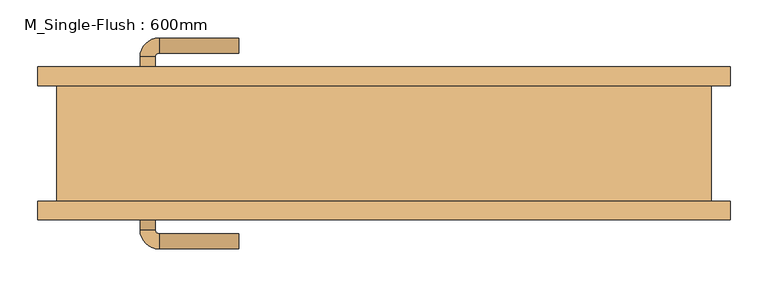
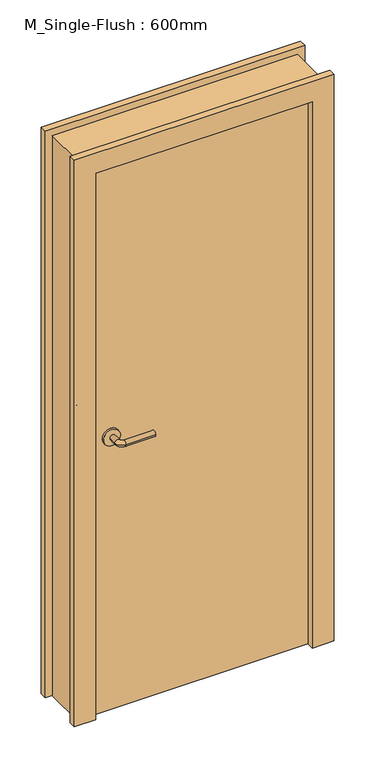
"""IFC4 building model written with IfcOpenShell, lengths in millimetres: door geometry, M_Single-Flush : 600mm."""

import ifcopenshell
import ifcopenshell.guid

model = None  # the IFC model being written
_history = None  # IfcOwnerHistory: only IFC2X3 demands one
_inside = {}  # id of a spatial element -> (the spatial element, [elements in it])
_under = {}  # id of a project, library or spatial element -> (it, [spatial elements below it])
_declared = {}  # id of a project -> (the project, [libraries it declares])
_typed = {}  # id of a type object -> (the type object, [elements of that type])
_made_of = {}  # id of a material, layer set ... -> (it, [elements and type objects made of it])


def new_model(schema):
    """Start an empty IFC model of exactly this schema.

    Asked for "IFC4X3", IfcOpenShell would pick the latest addendum, in which some entities
    have other attributes; the version numbers below select the first issue.
    IFC2X3 requires an IfcOwnerHistory on every rooted entity: one is made here for all.
    """
    global model, _history
    if schema == "IFC4X3":
        model = ifcopenshell.file(schema_version=(4, 3, 0, 0))
    else:
        model = ifcopenshell.file(schema=schema)
    _inside.clear()
    _under.clear()
    _declared.clear()
    _typed.clear()
    _made_of.clear()
    _history = None
    if model.schema == "IFC2X3":
        org = make("IfcOrganization", Name="unknown")
        user = make(
            "IfcPersonAndOrganization",
            ThePerson=make("IfcPerson", FamilyName="unknown"),
            TheOrganization=org,
        )
        app = make(
            "IfcApplication",
            ApplicationDeveloper=org,
            Version="unknown",
            ApplicationFullName="unknown",
            ApplicationIdentifier="unknown",
        )
        _history = make(
            "IfcOwnerHistory",
            OwningUser=user,
            OwningApplication=app,
            ChangeAction="ADDED",
            CreationDate=0,
        )
    return model


def make(cls, **values):
    """One entity of the class cls with the attributes given. An attribute that is None is left unset."""
    return model.create_entity(
        cls, **{name: value for name, value in values.items() if value is not None}
    )


def rooted(cls, **values):
    """An entity with a GlobalId (a new one), such as an element, a storey or a relation."""
    return make(cls, GlobalId=ifcopenshell.guid.new(), OwnerHistory=_history, **values)


def si_unit(unit_type, name, prefix=None):
    """IfcSIUnit, for example si_unit("LENGTHUNIT", "METRE", prefix="MILLI")."""
    return make("IfcSIUnit", UnitType=unit_type, Prefix=prefix, Name=name)


def assignment(units):
    """IfcUnitAssignment: the units of a project."""
    return None if units is None else make("IfcUnitAssignment", Units=units)


def point(xyz):
    """IfcCartesianPoint."""
    return None if xyz is None else make("IfcCartesianPoint", Coordinates=xyz)


def direction(xyz):
    """IfcDirection."""
    return None if xyz is None else make("IfcDirection", DirectionRatios=xyz)


def frame(location, z_axis=None, x_axis=None):
    """IfcAxis2Placement3D, a coordinate frame: its origin and axes. An axis left out is left unset."""
    return make(
        "IfcAxis2Placement3D",
        Location=point(location),
        Axis=direction(z_axis),
        RefDirection=direction(x_axis),
    )


def frame_2d(location, x_axis=None):
    """IfcAxis2Placement2D, a coordinate frame in the plane: its origin and x axis."""
    return make(
        "IfcAxis2Placement2D", Location=point(location), RefDirection=direction(x_axis)
    )


def origin():
    """The frame at (0, 0, 0) with its axes left unset."""
    return frame((0.0, 0.0, 0.0))


def origin_with_axes():
    """The frame at (0, 0, 0) with the z axis (0, 0, 1) and the x axis (1, 0, 0) written out."""
    return frame((0.0, 0.0, 0.0), z_axis=(0.0, 0.0, 1.0), x_axis=(1.0, 0.0, 0.0))


def place(relative_to, where):
    """IfcLocalPlacement: puts the frame where relative to a parent placement (None: the world)."""
    return make(
        "IfcLocalPlacement", PlacementRelTo=relative_to, RelativePlacement=where
    )


def context(
    kind, dimensions, precision=None, world=None, true_north=None, identifier=None
):
    """IfcGeometricRepresentationContext, for example the 3D "Model" context."""
    return make(
        "IfcGeometricRepresentationContext",
        ContextIdentifier=identifier,
        ContextType=kind,
        CoordinateSpaceDimension=dimensions,
        Precision=precision,
        WorldCoordinateSystem=world,
        TrueNorth=true_north,
    )


def project(units=None, contexts=None):
    """IfcProject with its units and contexts."""
    return rooted(
        "IfcProject",
        Name="project",
        RepresentationContexts=contexts,
        UnitsInContext=assignment(units),
    )


def spatial(cls, under=None, at=None, **own):
    """A site, building, storey or space (cls), placed at a placement, below another one or the project."""
    s = rooted(cls, ObjectPlacement=at, **own)
    if under is not None:
        _under.setdefault(under.id(), (under, []))[1].append(s)
    return s


def polyline(points):
    """IfcPolyline through the points."""
    return make("IfcPolyline", Points=[point(p) for p in points])


def circle_curve(where, radius):
    """IfcCircle in the frame where."""
    return make("IfcCircle", Position=where, Radius=radius)


def ellipse_curve(where, semi_axis1, semi_axis2):
    """IfcEllipse in the frame where."""
    return make(
        "IfcEllipse", Position=where, SemiAxis1=semi_axis1, SemiAxis2=semi_axis2
    )


def trimmed(basis, trim1, trim2, sense, master):
    """IfcTrimmedCurve: the piece of a basis curve between two trims."""
    return make(
        "IfcTrimmedCurve",
        BasisCurve=basis,
        Trim1=trim1,
        Trim2=trim2,
        SenseAgreement=sense,
        MasterRepresentation=master,
    )


def segment(curve, same_sense, transition):
    """IfcCompositeCurveSegment."""
    return make(
        "IfcCompositeCurveSegment",
        Transition=transition,
        SameSense=same_sense,
        ParentCurve=curve,
    )


def composite_curve(segments, self_intersect=None):
    """IfcCompositeCurve: segments joined end to end."""
    return make("IfcCompositeCurve", Segments=segments, SelfIntersect=self_intersect)


def outline(outer, holes=None, kind="AREA"):
    """IfcArbitraryClosedProfileDef: a profile drawn as a closed curve; with holes, ...WithVoids."""
    if holes is None:
        return make("IfcArbitraryClosedProfileDef", ProfileType=kind, OuterCurve=outer)
    return make(
        "IfcArbitraryProfileDefWithVoids",
        ProfileType=kind,
        OuterCurve=outer,
        InnerCurves=holes,
    )


def extrude(swept, where, along, depth):
    """IfcExtrudedAreaSolid: the profile swept, set in the frame where, extruded along a direction by depth."""
    return make(
        "IfcExtrudedAreaSolid",
        SweptArea=swept,
        Position=where,
        ExtrudedDirection=direction(along),
        Depth=depth,
    )


def shape(context_of_items, identifier, shape_type, items):
    """IfcShapeRepresentation: the items that make up one representation, for example the "Body"."""
    return make(
        "IfcShapeRepresentation",
        ContextOfItems=context_of_items,
        RepresentationIdentifier=identifier,
        RepresentationType=shape_type,
        Items=items,
    )


def source(mapping_origin, context_of_items, identifier, shape_type, items):
    """IfcRepresentationMap: a shape defined once, which mapped items show again and again."""
    return make(
        "IfcRepresentationMap",
        MappingOrigin=mapping_origin,
        MappedRepresentation=shape(context_of_items, identifier, shape_type, items),
    )


def transform(
    local_origin,
    x_axis=None,
    y_axis=None,
    z_axis=None,
    scale=None,
    scale2=None,
    scale3=None,
    uniform=True,
):
    """IfcCartesianTransformationOperator3D, or its non-uniform kind. x_axis, y_axis, z_axis: its Axis1, 2, 3."""
    if uniform:
        return make(
            "IfcCartesianTransformationOperator3D",
            Axis1=direction(x_axis),
            Axis2=direction(y_axis),
            LocalOrigin=point(local_origin),
            Scale=scale,
            Axis3=direction(z_axis),
        )
    return make(
        "IfcCartesianTransformationOperator3DnonUniform",
        Axis1=direction(x_axis),
        Axis2=direction(y_axis),
        LocalOrigin=point(local_origin),
        Scale=scale,
        Axis3=direction(z_axis),
        Scale2=scale2,
        Scale3=scale3,
    )


def mapped(mapping_source, mapping_target):
    """IfcMappedItem: shows the shape of a source again, moved by a transform."""
    return make(
        "IfcMappedItem", MappingSource=mapping_source, MappingTarget=mapping_target
    )


def made_of(thing, what):
    """Note that an element or type object is made of a material, layer set ...; save() writes the relation."""
    if what is not None:
        _made_of.setdefault(what.id(), (what, []))[1].append(thing)
    return thing


def element(
    cls,
    number,
    at=None,
    inside=None,
    cuts=None,
    type_object=None,
    material=None,
    context=None,
    identifier="Body",
    shape_type=None,
    held_by="IfcProductDefinitionShape",
    body=None,
    shapes=None,
    **own,
):
    """One element of the class cls, such as IfcWall. Its Tag is "e" and its number.

    at: its placement. inside: the storey or other place that contains it. cuts: it is an
    opening in that element (IfcRelVoidsElement). A single representation is given by context,
    identifier, shape_type and body (its items); several are given by shapes. held_by: the class
    of the entity that holds the representations. save() writes the other relations.
    """
    e = rooted(cls, Tag="e%d" % number, ObjectPlacement=at, **own)
    if body is not None:
        shapes = [shape(context, identifier, shape_type, body)]
    if shapes is not None:
        e.Representation = make(held_by, Representations=shapes)
    if inside is not None:
        _inside.setdefault(inside.id(), (inside, []))[1].append(e)
    if cuts is not None:
        rooted(
            "IfcRelVoidsElement", RelatingBuildingElement=cuts, RelatedOpeningElement=e
        )
    if type_object is not None:
        _typed.setdefault(type_object.id(), (type_object, []))[1].append(e)
    return made_of(e, material)


def aggregate(whole, parts):
    """IfcRelAggregates: a whole, such as a stair, and the parts it consists of."""
    return rooted("IfcRelAggregates", RelatingObject=whole, RelatedObjects=parts)


def save(model, path):
    """Write the relations noted so far, then the file.

    IfcRelAggregates (storeys below a building ...), IfcRelContainedInSpatialStructure (elements
    in a storey), IfcRelDefinesByType, IfcRelAssociatesMaterial and IfcRelDeclares: one each for
    every whole, place, type object, material and project.
    """
    for whole, parts in _under.values():
        aggregate(whole, parts)
    for where, things in _inside.values():
        rooted(
            "IfcRelContainedInSpatialStructure",
            RelatedElements=things,
            RelatingStructure=where,
        )
    for kind, things in _typed.values():
        rooted("IfcRelDefinesByType", RelatedObjects=things, RelatingType=kind)
    for what, things in _made_of.values():
        rooted("IfcRelAssociatesMaterial", RelatedObjects=things, RelatingMaterial=what)
    for by, libraries in _declared.values():
        rooted("IfcRelDeclares", RelatingContext=by, RelatedDefinitions=libraries)
    model.write(path)


def plane_surface(at):
    """IfcPlane: the flat surface through the origin of the frame at, square to its z axis."""
    return make("IfcPlane", Position=at)


def cylinder_surface(at, radius):
    """IfcCylindricalSurface: all points at the distance radius from the z axis of the frame at."""
    return make("IfcCylindricalSurface", Position=at, Radius=radius)


def revolved_surface(curve, axis_point, axis_direction):
    """IfcSurfaceOfRevolution: the curve turned about the line through axis_point along axis_direction."""
    return make(
        "IfcSurfaceOfRevolution",
        SweptCurve=make("IfcArbitraryOpenProfileDef", ProfileType="CURVE", Curve=curve),
        AxisPosition=make("IfcAxis1Placement", Location=point(axis_point), Axis=direction(axis_direction)),
    )


def advanced_brep(points, edges, surfaces, faces):
    """IfcAdvancedBrep: a solid bounded by faces that lie on surfaces and meet in shared edges.

    An edge is (start, end): straight between two places in points (the first is 0);
    or (start, end, curve); or (start, end, curve, False) where it runs against its curve.
    A face is (place in surfaces, loops), or (place, loops, False) where it looks against
    its surface's normal. A loop lists edges by number (the first is 1), with a minus sign
    where the edge is run from its end to its start. The first loop is the outer one.
    """
    corners = [point(p) for p in points]
    vertices = [make("IfcVertexPoint", VertexGeometry=c) for c in corners]
    made = []
    for start, end, *more in edges:
        made.append(
            make(
                "IfcEdgeCurve",
                EdgeStart=vertices[start],
                EdgeEnd=vertices[end],
                EdgeGeometry=more[0] if more else make("IfcPolyline", Points=[corners[start], corners[end]]),
                SameSense=more[1] if len(more) > 1 else True,
            )
        )
    hull = []
    for where, loops, *sense in faces:
        bounds = []
        for j, loop in enumerate(loops):
            ring = [make("IfcOrientedEdge", EdgeElement=made[abs(k) - 1], Orientation=k > 0) for k in loop]
            bounds.append(
                make(
                    "IfcFaceOuterBound" if j == 0 else "IfcFaceBound",
                    Bound=make("IfcEdgeLoop", EdgeList=ring),
                    Orientation=True,
                )
            )
        hull.append(make("IfcAdvancedFace", Bounds=bounds, FaceSurface=surfaces[where], SameSense=sense[0] if sense else True))
    return make("IfcAdvancedBrep", Outer=make("IfcClosedShell", CfsFaces=hull))


def m_single_flush_600mm_2cde60c5(model_context):
    return source(origin(), model_context, "Body", "SolidModel", [
        advanced_brep(
        [(-323.5389046, -84.2, 1016.0), (-303.5389046, -84.2, 1016.0), (-303.5389046, -114.2, 1016.0), (-323.5389046, -114.2, 1016.0), (-298.5389046, -119.2, 1016.0), (-298.5389046, -139.2, 1016.0), (-193.5389046, -139.2, 1016.0), (-193.5389046, -119.2, 1016.0)],
        [
            (0, 1, circle_curve(frame((-313.5389046, -84.2, 1016.0), z_axis=(0.0, 1.0, 0.0), x_axis=(1.0, 0.0, 0.0)), 10.0)),
            (1, 0, circle_curve(frame((-313.5389046, -84.2, 1016.0), z_axis=(0.0, 1.0, 0.0), x_axis=(1.0, 0.0, 0.0)), 10.0)),
            (1, 2),
            (2, 3, circle_curve(frame((-313.5389046, -114.2, 1016.0), z_axis=(0.0, 1.0, 0.0), x_axis=(1.0, 0.0, 0.0)), 10.0)),
            (3, 0),
            (3, 2, circle_curve(frame((-313.5389046, -114.2, 1016.0), z_axis=(0.0, 1.0, 0.0), x_axis=(1.0, 0.0, 0.0)), 10.0)),
            (4, 5, circle_curve(frame((-298.5389046, -129.2, 1016.0), z_axis=(-1.0, 0.0, 0.0), x_axis=(0.0, 1.0, 0.0)), 10.0)),
            (5, 3, circle_curve(frame((-298.5389046, -114.2, 1016.0), z_axis=(0.0, 0.0, -1.0), x_axis=(-1.0, 0.0, 0.0)), 25.0)),
            (2, 4, circle_curve(frame((-298.5389046, -114.2, 1016.0), z_axis=(0.0, 0.0, 1.0), x_axis=(-1.0, 0.0, 0.0)), 5.0)),
            (5, 4, circle_curve(frame((-298.5389046, -129.2, 1016.0), z_axis=(-1.0, 0.0, 0.0), x_axis=(0.0, 1.0, 0.0)), 10.0)),
            (6, 7, circle_curve(frame((-193.5389046, -129.2, 1016.0), z_axis=(1.0, 0.0, 0.0), x_axis=(0.0, 1.0, 0.0)), 10.0)),
            (7, 6, circle_curve(frame((-193.5389046, -129.2, 1016.0), z_axis=(1.0, 0.0, 0.0), x_axis=(0.0, 1.0, 0.0)), 10.0)),
            (4, 7),
            (6, 5),
        ],
        [
            plane_surface(frame((-313.5389046, -84.2, 1016.0), z_axis=(0.0, 1.0, 0.0), x_axis=(0.0, 0.0, 1.0))),
            cylinder_surface(frame((-313.5389046, -84.2, 1016.0), z_axis=(0.0, 1.0, 0.0), x_axis=(1.0, 0.0, 0.0)), 10.0),
            revolved_surface(trimmed(ellipse_curve(frame((-313.5389046, -114.2, 1016.0), z_axis=(0.0, -1.0, 0.0), x_axis=(1.0, 0.0, 0.0)), 10.0, 10.0), [point((-323.5389046, -114.2, 1016.0))], [point((-303.5389046, -114.2, 1016.0))], True, "CARTESIAN"), (-298.5389046, -114.2, 1016.0), (0.0, 0.0, -1.0)),
            revolved_surface(trimmed(ellipse_curve(frame((-313.5389046, -114.2, 1016.0), z_axis=(0.0, -1.0, 0.0), x_axis=(1.0, 0.0, 0.0)), 10.0, 10.0), [point((-303.5389046, -114.2, 1016.0))], [point((-323.5389046, -114.2, 1016.0))], True, "CARTESIAN"), (-298.5389046, -114.2, 1016.0), (0.0, 0.0, -1.0)),
            plane_surface(frame((-193.5389046, -129.2, 1016.0), z_axis=(1.0, 0.0, 0.0), x_axis=(0.0, 0.0, 1.0))),
            cylinder_surface(frame((-298.5389046, -129.2, 1016.0), z_axis=(-1.0, 0.0, 0.0), x_axis=(0.0, 1.0, 0.0)), 10.0),
        ],
        [
            (0, [[1, 2]]),
            (1, [[3, 4, 5, -2]]),
            (1, [[-5, 6, -3, -1]]),
            (2, [[7, 8, -4, 9]]),
            (3, [[10, -9, -6, -8]]),
            (4, [[11, 12]]),
            (5, [[13, -11, 14, -7]]),
            (5, [[-14, -12, -13, -10]]),
        ],
    ),
        extrude(outline(composite_curve([segment(trimmed(circle_curve(frame_2d((1016.0, -316.0389046)), 30.0), [point((1016.0, -346.0389046))], [point((1016.0, -286.0389046))], False, "CARTESIAN"), True, "CONTINUOUS"), segment(trimmed(circle_curve(frame_2d((1016.0, -316.0389046)), 30.0), [point((1016.0, -286.0389046))], [point((1016.0, -346.0389046))], False, "CARTESIAN"), True, "CONTINUOUS")], self_intersect=False)), frame((0.0, -84.2, 0.0), z_axis=(0.0, 1.0, 0.0), x_axis=(0.0, 0.0, 1.0)), (0.0, 0.0, 1.0), 8.0),
        advanced_brep(
        [(-323.5389046, 84.2, 1016.0), (-303.5389046, 84.2, 1016.0), (-323.5389046, 114.2, 1016.0), (-303.5389046, 114.2, 1016.0), (-298.5389046, 119.2, 1016.0), (-298.5389046, 139.2, 1016.0), (-193.5389046, 139.2, 1016.0), (-193.5389046, 119.2, 1016.0)],
        [
            (0, 1, circle_curve(frame((-313.5389046, 84.2, 1016.0), z_axis=(0.0, -1.0, 0.0), x_axis=(1.0, 0.0, 0.0)), 10.0)),
            (1, 0, circle_curve(frame((-313.5389046, 84.2, 1016.0), z_axis=(0.0, -1.0, 0.0), x_axis=(1.0, 0.0, 0.0)), 10.0)),
            (0, 2),
            (2, 3, circle_curve(frame((-313.5389046, 114.2, 1016.0), z_axis=(0.0, -1.0, 0.0), x_axis=(1.0, 0.0, 0.0)), 10.0)),
            (3, 1),
            (3, 2, circle_curve(frame((-313.5389046, 114.2, 1016.0), z_axis=(0.0, -1.0, 0.0), x_axis=(1.0, 0.0, 0.0)), 10.0)),
            (4, 3, circle_curve(frame((-298.5389046, 114.2, 1016.0), z_axis=(0.0, 0.0, 1.0), x_axis=(-1.0, 0.0, 0.0)), 5.0)),
            (2, 5, circle_curve(frame((-298.5389046, 114.2, 1016.0), z_axis=(0.0, 0.0, -1.0), x_axis=(-1.0, 0.0, 0.0)), 25.0)),
            (5, 4, circle_curve(frame((-298.5389046, 129.2, 1016.0), z_axis=(-1.0, 0.0, 0.0), x_axis=(0.0, -1.0, 0.0)), 10.0)),
            (4, 5, circle_curve(frame((-298.5389046, 129.2, 1016.0), z_axis=(-1.0, 0.0, 0.0), x_axis=(0.0, -1.0, 0.0)), 10.0)),
            (6, 7, circle_curve(frame((-193.5389046, 129.2, 1016.0), z_axis=(1.0, 0.0, 0.0), x_axis=(0.0, -1.0, 0.0)), 10.0)),
            (7, 6, circle_curve(frame((-193.5389046, 129.2, 1016.0), z_axis=(1.0, 0.0, 0.0), x_axis=(0.0, -1.0, 0.0)), 10.0)),
            (5, 6),
            (7, 4),
        ],
        [
            plane_surface(frame((-313.5389046, 84.2, 1016.0), z_axis=(0.0, -1.0, 0.0), x_axis=(0.0, 0.0, 1.0))),
            cylinder_surface(frame((-313.5389046, 84.2, 1016.0), z_axis=(0.0, -1.0, 0.0), x_axis=(1.0, 0.0, 0.0)), 10.0),
            revolved_surface(trimmed(ellipse_curve(frame((-313.5389046, 114.2, 1016.0), z_axis=(0.0, -1.0, 0.0), x_axis=(1.0, 0.0, 0.0)), 10.0, 10.0), [point((-323.5389046, 114.2, 1016.0))], [point((-303.5389046, 114.2, 1016.0))], True, "CARTESIAN"), (-298.5389046, 114.2, 1016.0), (0.0, 0.0, -1.0)),
            revolved_surface(trimmed(ellipse_curve(frame((-313.5389046, 114.2, 1016.0), z_axis=(0.0, -1.0, 0.0), x_axis=(1.0, 0.0, 0.0)), 10.0, 10.0), [point((-303.5389046, 114.2, 1016.0))], [point((-323.5389046, 114.2, 1016.0))], True, "CARTESIAN"), (-298.5389046, 114.2, 1016.0), (0.0, 0.0, -1.0)),
            plane_surface(frame((-193.5389046, 129.2, 1016.0), z_axis=(1.0, 0.0, 0.0), x_axis=(0.0, 0.0, 1.0))),
            cylinder_surface(frame((-298.5389046, 129.2, 1016.0), z_axis=(-1.0, 0.0, 0.0), x_axis=(0.0, -1.0, 0.0)), 10.0),
        ],
        [
            (0, [[1, 2]]),
            (1, [[-1, 3, 4, 5]]),
            (1, [[-2, -5, 6, -3]]),
            (2, [[7, -4, 8, 9]]),
            (3, [[-8, -6, -7, 10]]),
            (4, [[11, 12]]),
            (5, [[-9, 13, -12, 14]]),
            (5, [[-10, -14, -11, -13]]),
        ],
    ),
        extrude(outline(composite_curve([segment(trimmed(circle_curve(frame_2d((1016.0, -316.0389046)), 30.0), [point((1016.0, -346.0389046))], [point((1016.0, -286.0389046))], False, "CARTESIAN"), True, "CONTINUOUS"), segment(trimmed(circle_curve(frame_2d((1016.0, -316.0389046)), 30.0), [point((1016.0, -286.0389046))], [point((1016.0, -346.0389046))], False, "CARTESIAN"), True, "CONTINUOUS")], self_intersect=False)), frame((0.0, 76.2, 0.0), z_axis=(0.0, 1.0, 0.0), x_axis=(0.0, 0.0, 1.0)), (0.0, 0.0, 1.0), 8.0),
        extrude(outline(polyline([(2108.0, -458.5482796), (0.0, -458.5482796), (0.0, -382.5482796), (2032.0, -382.5482796), (2032.0, 379.4517204), (0.0, 379.4517204), (0.0, 455.4517204), (2108.0, 455.4517204), (2108.0, -458.5482796)])), frame((0.0, 76.2, 0.0), z_axis=(0.0, 1.0, 0.0), x_axis=(0.0, 0.0, 1.0)), (0.0, 0.0, 1.0), 25.0),
        extrude(outline(polyline([(2108.0, 455.4517204), (2108.0, -458.5482796), (0.0, -458.5482796), (0.0, -382.5482796), (2032.0, -382.5482796), (2032.0, 379.4517204), (0.0, 379.4517204), (0.0, 455.4517204), (2108.0, 455.4517204)])), frame((0.0, -101.2, 0.0), z_axis=(0.0, 1.0, 0.0), x_axis=(0.0, 0.0, 1.0)), (0.0, 0.0, 1.0), 25.0),
        extrude(outline(polyline([(379.4517204, -76.2), (-382.5482796, -76.2), (-382.5482796, 76.2), (379.4517204, 76.2), (379.4517204, -76.2)])), origin_with_axes(), (0.0, 0.0, 1.0), 2032.0),
        extrude(outline(polyline([(0.0, 379.4517204), (0.0, 430.4517204), (2083.0, 430.4517204), (2083.0, -433.5482796), (0.0, -433.5482796), (0.0, -382.5482796), (2032.0, -382.5482796), (2032.0, 379.4517204), (0.0, 379.4517204)])), frame((0.0, -76.2, 0.0), z_axis=(0.0, 1.0, 0.0), x_axis=(0.0, 0.0, 1.0)), (0.0, 0.0, 1.0), 152.4),
    ])


if __name__ == "__main__":
    model = new_model("IFC4")
    model_context = context("Model", 3, world=origin())
    ifc_project = project(units=[si_unit("LENGTHUNIT", "METRE", prefix="MILLI")], contexts=[model_context])
    site = spatial("IfcSite", under=ifc_project)
    building = spatial("IfcBuilding", under=site)
    placement = place(None, origin())
    m_single_flush_600mm_shape = m_single_flush_600mm_2cde60c5(model_context)
    element("IfcDoor", 1, ObjectType="M_Single-Flush : 600mm", at=placement, inside=building, context=model_context, shape_type="MappedRepresentation", body=[
        mapped(m_single_flush_600mm_shape, transform((0.0, 0.0, 0.0), x_axis=(1.0, 0.0, 0.0), y_axis=(0.0, 1.0, 0.0), z_axis=(0.0, 0.0, 1.0))),
    ])
    save(model, "model.ifc")
